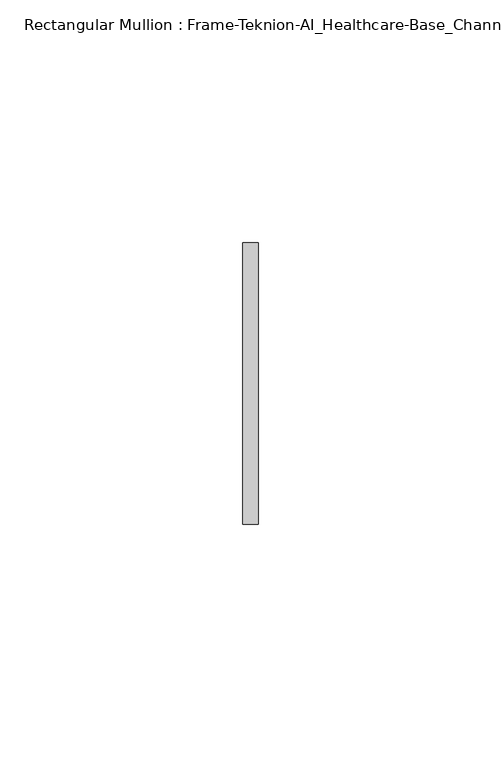
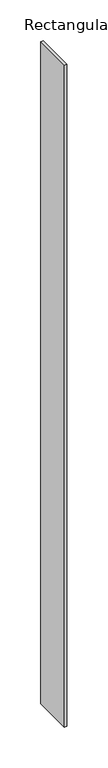
"""IFC4 building model written with IfcOpenShell, lengths in millimetres: member geometry, Rectangular Mullion : Frame-Teknion-AI_Healthcare-Base_Channel."""

import ifcopenshell
import ifcopenshell.guid

model = None  # the IFC model being written
_history = None  # IfcOwnerHistory: only IFC2X3 demands one
_inside = {}  # id of a spatial element -> (the spatial element, [elements in it])
_under = {}  # id of a project, library or spatial element -> (it, [spatial elements below it])
_declared = {}  # id of a project -> (the project, [libraries it declares])
_typed = {}  # id of a type object -> (the type object, [elements of that type])
_made_of = {}  # id of a material, layer set ... -> (it, [elements and type objects made of it])


def new_model(schema):
    """Start an empty IFC model of exactly this schema.

    Asked for "IFC4X3", IfcOpenShell would pick the latest addendum, in which some entities
    have other attributes; the version numbers below select the first issue.
    IFC2X3 requires an IfcOwnerHistory on every rooted entity: one is made here for all.
    """
    global model, _history
    if schema == "IFC4X3":
        model = ifcopenshell.file(schema_version=(4, 3, 0, 0))
    else:
        model = ifcopenshell.file(schema=schema)
    _inside.clear()
    _under.clear()
    _declared.clear()
    _typed.clear()
    _made_of.clear()
    _history = None
    if model.schema == "IFC2X3":
        org = make("IfcOrganization", Name="unknown")
        user = make(
            "IfcPersonAndOrganization",
            ThePerson=make("IfcPerson", FamilyName="unknown"),
            TheOrganization=org,
        )
        app = make(
            "IfcApplication",
            ApplicationDeveloper=org,
            Version="unknown",
            ApplicationFullName="unknown",
            ApplicationIdentifier="unknown",
        )
        _history = make(
            "IfcOwnerHistory",
            OwningUser=user,
            OwningApplication=app,
            ChangeAction="ADDED",
            CreationDate=0,
        )
    return model


def make(cls, **values):
    """One entity of the class cls with the attributes given. An attribute that is None is left unset."""
    return model.create_entity(
        cls, **{name: value for name, value in values.items() if value is not None}
    )


def rooted(cls, **values):
    """An entity with a GlobalId (a new one), such as an element, a storey or a relation."""
    return make(cls, GlobalId=ifcopenshell.guid.new(), OwnerHistory=_history, **values)


def si_unit(unit_type, name, prefix=None):
    """IfcSIUnit, for example si_unit("LENGTHUNIT", "METRE", prefix="MILLI")."""
    return make("IfcSIUnit", UnitType=unit_type, Prefix=prefix, Name=name)


def assignment(units):
    """IfcUnitAssignment: the units of a project."""
    return None if units is None else make("IfcUnitAssignment", Units=units)


def point(xyz):
    """IfcCartesianPoint."""
    return None if xyz is None else make("IfcCartesianPoint", Coordinates=xyz)


def direction(xyz):
    """IfcDirection."""
    return None if xyz is None else make("IfcDirection", DirectionRatios=xyz)


def frame(location, z_axis=None, x_axis=None):
    """IfcAxis2Placement3D, a coordinate frame: its origin and axes. An axis left out is left unset."""
    return make(
        "IfcAxis2Placement3D",
        Location=point(location),
        Axis=direction(z_axis),
        RefDirection=direction(x_axis),
    )


def origin():
    """The frame at (0, 0, 0) with its axes left unset."""
    return frame((0.0, 0.0, 0.0))


def place(relative_to, where):
    """IfcLocalPlacement: puts the frame where relative to a parent placement (None: the world)."""
    return make(
        "IfcLocalPlacement", PlacementRelTo=relative_to, RelativePlacement=where
    )


def context(
    kind, dimensions, precision=None, world=None, true_north=None, identifier=None
):
    """IfcGeometricRepresentationContext, for example the 3D "Model" context."""
    return make(
        "IfcGeometricRepresentationContext",
        ContextIdentifier=identifier,
        ContextType=kind,
        CoordinateSpaceDimension=dimensions,
        Precision=precision,
        WorldCoordinateSystem=world,
        TrueNorth=true_north,
    )


def project(units=None, contexts=None):
    """IfcProject with its units and contexts."""
    return rooted(
        "IfcProject",
        Name="project",
        RepresentationContexts=contexts,
        UnitsInContext=assignment(units),
    )


def spatial(cls, under=None, at=None, **own):
    """A site, building, storey or space (cls), placed at a placement, below another one or the project."""
    s = rooted(cls, ObjectPlacement=at, **own)
    if under is not None:
        _under.setdefault(under.id(), (under, []))[1].append(s)
    return s


def polyline(points):
    """IfcPolyline through the points."""
    return make("IfcPolyline", Points=[point(p) for p in points])


def outline(outer, holes=None, kind="AREA"):
    """IfcArbitraryClosedProfileDef: a profile drawn as a closed curve; with holes, ...WithVoids."""
    if holes is None:
        return make("IfcArbitraryClosedProfileDef", ProfileType=kind, OuterCurve=outer)
    return make(
        "IfcArbitraryProfileDefWithVoids",
        ProfileType=kind,
        OuterCurve=outer,
        InnerCurves=holes,
    )


def extrude(swept, where, along, depth):
    """IfcExtrudedAreaSolid: the profile swept, set in the frame where, extruded along a direction by depth."""
    return make(
        "IfcExtrudedAreaSolid",
        SweptArea=swept,
        Position=where,
        ExtrudedDirection=direction(along),
        Depth=depth,
    )


def shape(context_of_items, identifier, shape_type, items):
    """IfcShapeRepresentation: the items that make up one representation, for example the "Body"."""
    return make(
        "IfcShapeRepresentation",
        ContextOfItems=context_of_items,
        RepresentationIdentifier=identifier,
        RepresentationType=shape_type,
        Items=items,
    )


def source(mapping_origin, context_of_items, identifier, shape_type, items):
    """IfcRepresentationMap: a shape defined once, which mapped items show again and again."""
    return make(
        "IfcRepresentationMap",
        MappingOrigin=mapping_origin,
        MappedRepresentation=shape(context_of_items, identifier, shape_type, items),
    )


def transform(
    local_origin,
    x_axis=None,
    y_axis=None,
    z_axis=None,
    scale=None,
    scale2=None,
    scale3=None,
    uniform=True,
):
    """IfcCartesianTransformationOperator3D, or its non-uniform kind. x_axis, y_axis, z_axis: its Axis1, 2, 3."""
    if uniform:
        return make(
            "IfcCartesianTransformationOperator3D",
            Axis1=direction(x_axis),
            Axis2=direction(y_axis),
            LocalOrigin=point(local_origin),
            Scale=scale,
            Axis3=direction(z_axis),
        )
    return make(
        "IfcCartesianTransformationOperator3DnonUniform",
        Axis1=direction(x_axis),
        Axis2=direction(y_axis),
        LocalOrigin=point(local_origin),
        Scale=scale,
        Axis3=direction(z_axis),
        Scale2=scale2,
        Scale3=scale3,
    )


def mapped(mapping_source, mapping_target):
    """IfcMappedItem: shows the shape of a source again, moved by a transform."""
    return make(
        "IfcMappedItem", MappingSource=mapping_source, MappingTarget=mapping_target
    )


def made_of(thing, what):
    """Note that an element or type object is made of a material, layer set ...; save() writes the relation."""
    if what is not None:
        _made_of.setdefault(what.id(), (what, []))[1].append(thing)
    return thing


def element(
    cls,
    number,
    at=None,
    inside=None,
    cuts=None,
    type_object=None,
    material=None,
    context=None,
    identifier="Body",
    shape_type=None,
    held_by="IfcProductDefinitionShape",
    body=None,
    shapes=None,
    **own,
):
    """One element of the class cls, such as IfcWall. Its Tag is "e" and its number.

    at: its placement. inside: the storey or other place that contains it. cuts: it is an
    opening in that element (IfcRelVoidsElement). A single representation is given by context,
    identifier, shape_type and body (its items); several are given by shapes. held_by: the class
    of the entity that holds the representations. save() writes the other relations.
    """
    e = rooted(cls, Tag="e%d" % number, ObjectPlacement=at, **own)
    if body is not None:
        shapes = [shape(context, identifier, shape_type, body)]
    if shapes is not None:
        e.Representation = make(held_by, Representations=shapes)
    if inside is not None:
        _inside.setdefault(inside.id(), (inside, []))[1].append(e)
    if cuts is not None:
        rooted(
            "IfcRelVoidsElement", RelatingBuildingElement=cuts, RelatedOpeningElement=e
        )
    if type_object is not None:
        _typed.setdefault(type_object.id(), (type_object, []))[1].append(e)
    return made_of(e, material)


def aggregate(whole, parts):
    """IfcRelAggregates: a whole, such as a stair, and the parts it consists of."""
    return rooted("IfcRelAggregates", RelatingObject=whole, RelatedObjects=parts)


def save(model, path):
    """Write the relations noted so far, then the file.

    IfcRelAggregates (storeys below a building ...), IfcRelContainedInSpatialStructure (elements
    in a storey), IfcRelDefinesByType, IfcRelAssociatesMaterial and IfcRelDeclares: one each for
    every whole, place, type object, material and project.
    """
    for whole, parts in _under.values():
        aggregate(whole, parts)
    for where, things in _inside.values():
        rooted(
            "IfcRelContainedInSpatialStructure",
            RelatedElements=things,
            RelatingStructure=where,
        )
    for kind, things in _typed.values():
        rooted("IfcRelDefinesByType", RelatedObjects=things, RelatingType=kind)
    for what, things in _made_of.values():
        rooted("IfcRelAssociatesMaterial", RelatedObjects=things, RelatingMaterial=what)
    for by, libraries in _declared.values():
        rooted("IfcRelDeclares", RelatingContext=by, RelatedDefinitions=libraries)
    model.write(path)


def rectangular_mullion_frame_teknion_ai_healthcare_base_channel_1920b97f(model_context):
    return source(origin(), model_context, "Body", "SweptSolid", [
        extrude(outline(polyline([(0.0, 29.0214844), (0.0, -29.0214844), (-3.175, -29.0214844), (-3.175, 29.0214844), (0.0, 29.0214844)])), frame((0.0, 0.0, -990.6), z_axis=(0.0, 0.0, 1.0), x_axis=(1.0, 0.0, 0.0)), (0.0, 0.0, 1.0), 990.6),
    ])


if __name__ == "__main__":
    model = new_model("IFC4")
    model_context = context("Model", 3, world=origin())
    ifc_project = project(units=[si_unit("LENGTHUNIT", "METRE", prefix="MILLI")], contexts=[model_context])
    site = spatial("IfcSite", under=ifc_project)
    building = spatial("IfcBuilding", under=site)
    placement = place(None, origin())
    rectangular_mullion_frame_teknion_ai_healthcare_base_channel_shape = rectangular_mullion_frame_teknion_ai_healthcare_base_channel_1920b97f(model_context)
    element("IfcMember", 1, ObjectType="Rectangular Mullion : Frame-Teknion-AI_Healthcare-Base_Channel", at=placement, inside=building, context=model_context, shape_type="MappedRepresentation", body=[
        mapped(rectangular_mullion_frame_teknion_ai_healthcare_base_channel_shape, transform((0.0, 0.0, 0.0), x_axis=(1.0, 0.0, 0.0), y_axis=(0.0, 1.0, 0.0), z_axis=(0.0, 0.0, 1.0))),
    ])
    save(model, "model.ifc")
